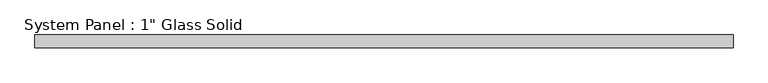
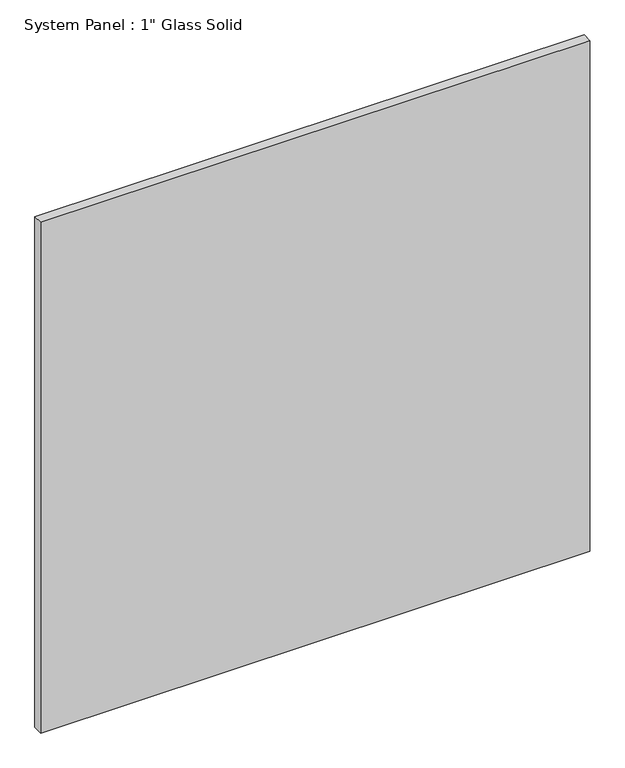
"""IFC4 building model written with IfcOpenShell, lengths in millimetres: plate geometry."""

from ifc_helpers import new_model, si_unit, origin, origin_with_axes, place, context, project, spatial, polyline, outline, extrude, source, transform, mapped, element, save


def plate_12f7c454(model_context):
    return source(origin(), model_context, "Body", "SweptSolid", [
        extrude(outline(polyline([(702.1554024, -12.7), (-702.1554024, -12.7), (-702.1554024, 12.7), (702.1554024, 12.7), (702.1554024, -12.7)])), origin_with_axes(), (0.0, 0.0, 1.0), 1380.2224231),
    ])


if __name__ == "__main__":
    model = new_model("IFC4")
    model_context = context("Model", 3, world=origin())
    ifc_project = project(units=[si_unit("LENGTHUNIT", "METRE", prefix="MILLI")], contexts=[model_context])
    site = spatial("IfcSite", under=ifc_project)
    building = spatial("IfcBuilding", under=site)
    placement = place(None, origin())
    plate_shape = plate_12f7c454(model_context)
    element("IfcPlate", 1, ObjectType="System Panel : 1\" Glass Solid", at=placement, inside=building, context=model_context, shape_type="MappedRepresentation", body=[
        mapped(plate_shape, transform((0.0, 0.0, 0.0), x_axis=(1.0, 0.0, 0.0), y_axis=(0.0, 1.0, 0.0), z_axis=(0.0, 0.0, 1.0))),
    ])
    save(model, "model.ifc")
